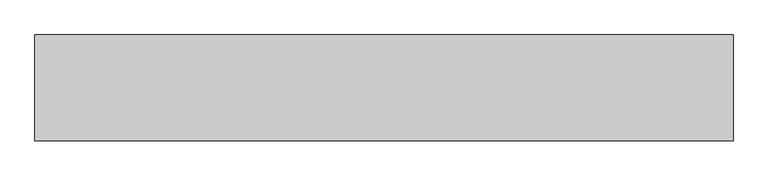
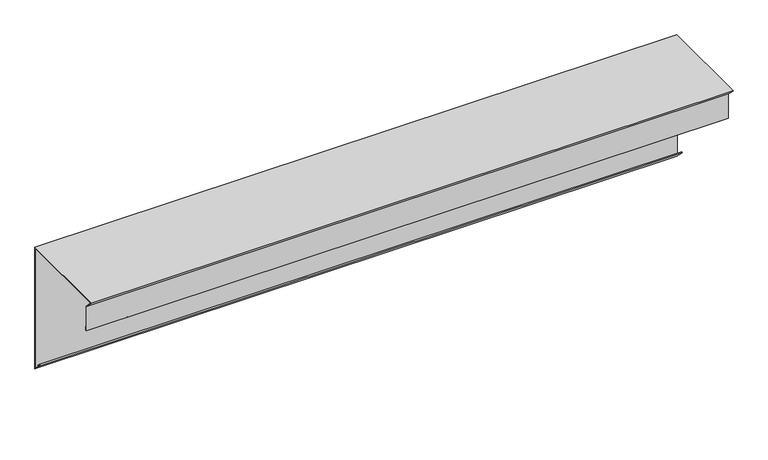
"""IFC4 building model written with IfcOpenShell, lengths in millimetres: proxy geometry."""

from ifc_helpers import new_model, si_unit, origin, place, context, project, spatial, faceted_brep, source, transform, mapped, element, save


def generic_models_29aef9e3(model_context):
    return source(origin(), model_context, "Body", "Brep", [
        faceted_brep([(0.0, 202.0, 0.0), (0.0, 202.0, -289.5857864), (1500.0, 202.0, -289.5857864), (1500.0, 202.0, 0.0), (1500.0, 202.0, 7.0), (0.0, 202.0, 7.0), (0.0, -22.3847763, 7.0), (1500.0, -22.3847763, 7.0), (0.0, -4.0, -11.3847763), (0.0, -15.3847763, 0.0), (1500.0, -15.3847763, 0.0), (1500.0, -4.0, -11.3847763), (0.0, -4.0, -70.7989899), (1500.0, -4.0, -70.7989899), (0.0, -3.0, -70.7989899), (1500.0, -3.0, -70.7989899), (0.0, -3.0, -61.7989899), (1500.0, -3.0, -61.7989899), (0.0, -2.0, -61.7989899), (1500.0, -2.0, -61.7989899), (0.0, -2.0, -71.7989899), (1500.0, -2.0, -71.7989899), (0.0, -5.0, -71.7989899), (1500.0, -5.0, -71.7989899), (0.0, -5.0, -11.7989899), (1500.0, -5.0, -11.7989899), (0.0, -16.7989899, 0.0), (1500.0, -16.7989899, 0.0), (1500.0, -24.7989899, 8.0), (0.0, -24.7989899, 8.0), (0.0, 203.0, 8.0), (1500.0, 203.0, 8.0), (0.0, 203.0, -292.0), (0.0, 203.0, 0.0), (1500.0, 203.0, 0.0), (1500.0, 203.0, -292.0), (0.0, 181.7867966, -270.7867966), (1500.0, 181.7867966, -270.7867966), (0.0, 183.9081169, -268.6654762), (1500.0, 183.9081169, -268.6654762), (0.0, 190.9791847, -275.736544), (1500.0, 190.9791847, -275.736544), (0.0, 190.2720779, -276.4436508), (1500.0, 190.2720779, -276.4436508), (0.0, 183.9081169, -270.0796898), (1500.0, 183.9081169, -270.0796898), (0.0, 183.2010101, -270.7867966), (1500.0, 183.2010101, -270.7867966)], [[[0, 1, 2, 3, 4, 5]], [[6, 5, 4, 7]], [[8, 9, 6, 7, 10, 11]], [[12, 8, 11, 13]], [[14, 12, 13, 15]], [[16, 14, 15, 17]], [[18, 16, 17, 19]], [[20, 18, 19, 21]], [[22, 20, 21, 23]], [[24, 22, 23, 25]], [[26, 24, 25, 27, 28, 29]], [[30, 29, 28, 31]], [[32, 33, 30, 31, 34, 35]], [[36, 32, 35, 37]], [[38, 36, 37, 39]], [[40, 38, 39, 41]], [[42, 40, 41, 43]], [[44, 42, 43, 45]], [[46, 44, 45, 47]], [[1, 46, 47, 2]], [[26, 9, 8, 12, 14, 16, 18, 20, 22, 24]], [[0, 33, 32, 36, 38, 40, 42, 44, 46, 1]], [[9, 26, 29, 30, 33, 0, 5, 6]], [[10, 27, 25, 23, 21, 19, 17, 15, 13, 11]], [[34, 3, 2, 47, 45, 43, 41, 39, 37, 35]], [[27, 10, 7, 4, 3, 34, 31, 28]]]),
    ])


if __name__ == "__main__":
    model = new_model("IFC4")
    model_context = context("Model", 3, world=origin())
    ifc_project = project(units=[si_unit("LENGTHUNIT", "METRE", prefix="MILLI")], contexts=[model_context])
    site = spatial("IfcSite", under=ifc_project)
    building = spatial("IfcBuilding", under=site)
    placement = place(None, origin())
    generic_models_shape = generic_models_29aef9e3(model_context)
    element("IfcBuildingElementProxy", 1, Name="Generic Models", at=placement, inside=building, context=model_context, shape_type="MappedRepresentation", body=[
        mapped(generic_models_shape, transform((0.0, 0.0, 0.0), x_axis=(1.0, 0.0, 0.0), y_axis=(0.0, 1.0, 0.0), z_axis=(0.0, 0.0, 1.0))),
    ])
    save(model, "model.ifc")
